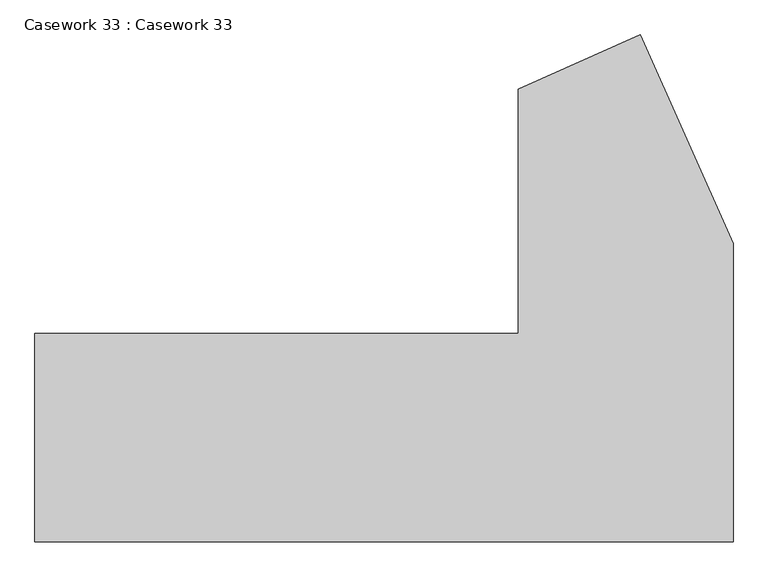
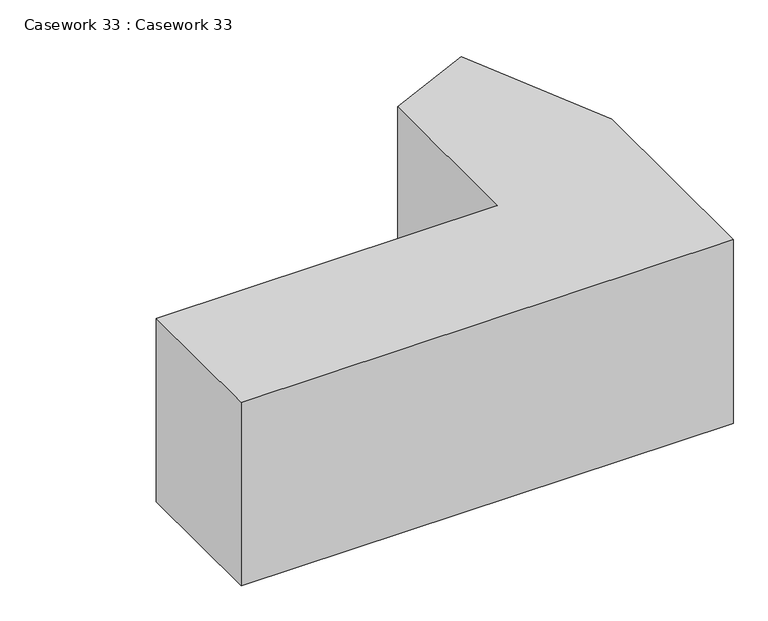
"""IFC4 building model written with IfcOpenShell, lengths in millimetres: furniture geometry, Casework 33 : Casework 33."""

from ifc_helpers import new_model, si_unit, frame, origin, place, context, project, spatial, polyline, outline, extrude, source, transform, mapped, element, save


def casework_33_casework_33_618866d7(model_context):
    return source(origin(), model_context, "Body", "SweptSolid", [
        extrude(outline(polyline([(-20313.0904307, 25068.3315064), (-20010.2380615, 24388.1139481), (-20010.2380615, 23414.1821878), (-22286.8551897, 23414.1821878), (-22286.8551897, 24094.061728), (-20710.0752307, 24094.061728), (-20710.0752307, 24891.5824858), (-20313.0904307, 25068.3315064)])), frame((0.0, 0.0, -11277.6), z_axis=(0.0, 0.0, 1.0), x_axis=(1.0, 0.0, 0.0)), (0.0, 0.0, 1.0), 898.9271257),
    ])


if __name__ == "__main__":
    model = new_model("IFC4")
    model_context = context("Model", 3, world=origin())
    ifc_project = project(units=[si_unit("LENGTHUNIT", "METRE", prefix="MILLI")], contexts=[model_context])
    site = spatial("IfcSite", under=ifc_project)
    building = spatial("IfcBuilding", under=site)
    placement = place(None, origin())
    casework_33_casework_33_shape = casework_33_casework_33_618866d7(model_context)
    element("IfcFurniture", 1, ObjectType="Casework 33 : Casework 33", at=placement, inside=building, context=model_context, shape_type="MappedRepresentation", body=[
        mapped(casework_33_casework_33_shape, transform((0.0, 0.0, 0.0), x_axis=(1.0, 0.0, 0.0), y_axis=(0.0, 1.0, 0.0), z_axis=(0.0, 0.0, 1.0))),
    ])
    save(model, "model.ifc")
